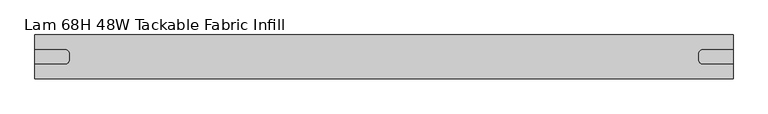
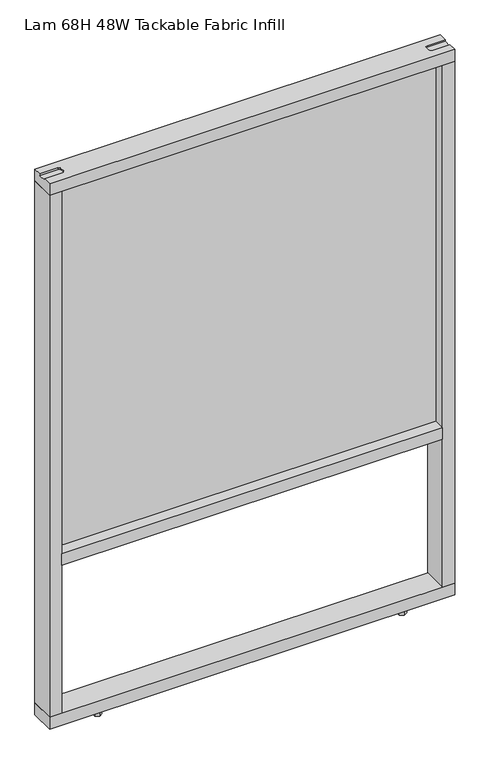
"""IFC4 building model written with IfcOpenShell, lengths in millimetres: furniture geometry, Lam 68H 48W Tackable Fabric Infill."""

from ifc_helpers import new_model, si_unit, frame, origin, origin_with_axes, place, context, project, spatial, polyline, circle_curve, outline, extrude, faceted_brep, source, transform, mapped, element, save
from ifc_brep_helpers import plane_surface, revolved_surface, advanced_brep


def lam_68h_48w_tackable_fabric_infill_ef78ba6c(model_context):
    return source(origin(), model_context, "Body", "SolidModel", [
        extrude(outline(polyline([(1185.164, 38.1), (1185.164, 34.4678), (43.307, 34.4678), (43.307, 38.1), (1185.164, 38.1)])), frame((0.0, 0.0, 556.0822), z_axis=(0.0, 0.0, 1.0), x_axis=(1.0, 0.0, 0.0)), (0.0, 0.0, 1.0), 1149.8326),
        advanced_brep(
        [(1222.248, 0.0, 1742.9988), (6.223, 0.0, 1742.9988), (6.223, 0.0, 1705.9148), (1222.248, 0.0, 1705.9148), (1222.248, 76.2, 1742.9988), (1222.248, 76.2, 1705.9148), (6.223, 76.2, 1705.9148), (6.223, 76.2, 1742.9988), (1222.248, 25.3492, 1742.9988), (1168.273, 25.3492, 1742.9988), (1161.923, 31.6992, 1742.9988), (1161.923, 44.5008, 1742.9988), (1168.273, 50.8508, 1742.9988), (1222.248, 50.8508, 1742.9988), (6.223, 50.8508, 1742.9988), (60.198, 50.8508, 1742.9988), (66.548, 44.5008, 1742.9988), (66.548, 31.6992, 1742.9988), (60.198, 25.3492, 1742.9988), (6.223, 25.3492, 1742.9988), (6.223, 25.3492, 1737.9188), (6.223, 50.8508, 1737.9188), (1222.248, 50.8508, 1737.9188), (1222.248, 25.3492, 1737.9188), (60.198, 50.8508, 1737.9188), (60.198, 25.3492, 1737.9188), (66.548, 31.6992, 1737.9188), (66.548, 44.5008, 1737.9188), (1168.273, 50.8508, 1737.9188), (1161.923, 44.5008, 1737.9188), (1161.923, 31.6992, 1737.9188), (1168.273, 25.3492, 1737.9188)],
        [
            (0, 1),
            (1, 2),
            (2, 3),
            (3, 0),
            (4, 5),
            (5, 6),
            (6, 7),
            (7, 4),
            (0, 8),
            (8, 9),
            (9, 10, circle_curve(frame((1168.273, 31.6992, 1742.9988), z_axis=(0.0, 0.0, -1.0), x_axis=(1.0, 0.0, 0.0)), 6.35)),
            (10, 11),
            (11, 12, circle_curve(frame((1168.273, 44.5008, 1742.9988), z_axis=(0.0, 0.0, -1.0), x_axis=(1.0, 0.0, 0.0)), 6.35)),
            (12, 13),
            (13, 4),
            (7, 14),
            (14, 15),
            (15, 16, circle_curve(frame((60.198, 44.5008, 1742.9988), z_axis=(0.0, 0.0, -1.0), x_axis=(1.0, 0.0, 0.0)), 6.35)),
            (16, 17),
            (17, 18, circle_curve(frame((60.198, 31.6992, 1742.9988), z_axis=(0.0, 0.0, -1.0), x_axis=(1.0, 0.0, 0.0)), 6.35)),
            (18, 19),
            (19, 1),
            (19, 20),
            (20, 21),
            (21, 14),
            (6, 2),
            (5, 3),
            (13, 22),
            (22, 23),
            (23, 8),
            (24, 21),
            (20, 25),
            (25, 26, circle_curve(frame((60.198, 31.6992, 1737.9188), z_axis=(0.0, 0.0, 1.0), x_axis=(1.0, 0.0, 0.0)), 6.35)),
            (26, 27),
            (27, 24, circle_curve(frame((60.198, 44.5008, 1737.9188), z_axis=(0.0, 0.0, 1.0), x_axis=(1.0, 0.0, 0.0)), 6.35)),
            (28, 29, circle_curve(frame((1168.273, 44.5008, 1737.9188), z_axis=(0.0, 0.0, 1.0), x_axis=(1.0, 0.0, 0.0)), 6.35)),
            (29, 30),
            (30, 31, circle_curve(frame((1168.273, 31.6992, 1737.9188), z_axis=(0.0, 0.0, 1.0), x_axis=(1.0, 0.0, 0.0)), 6.35)),
            (31, 23),
            (22, 28),
            (24, 15),
            (18, 25),
            (17, 26),
            (16, 27),
            (28, 12),
            (11, 29),
            (10, 30),
            (9, 31),
        ],
        [
            plane_surface(frame((6.223, 0.0, 1742.9988), z_axis=(0.0, -1.0, 0.0), x_axis=(-1.0, 0.0, 0.0))),
            plane_surface(frame((6.223, 76.2, 1742.9988), z_axis=(0.0, 1.0, 0.0), x_axis=(1.0, 0.0, 0.0))),
            plane_surface(frame((1222.248, 0.0, 1742.9988), z_axis=(0.0, 0.0, 1.0), x_axis=(0.0, 1.0, 0.0))),
            plane_surface(frame((6.223, 0.0, 1742.9988), z_axis=(-1.0, 0.0, 0.0), x_axis=(0.0, 1.0, 0.0))),
            plane_surface(frame((6.223, 0.0, 1705.9148), z_axis=(0.0, 0.0, -1.0), x_axis=(0.0, 1.0, 0.0))),
            plane_surface(frame((1222.248, 0.0, 1705.9148), z_axis=(1.0, 0.0, 0.0), x_axis=(0.0, 1.0, 0.0))),
            plane_surface(frame((6.223, 50.8508, 1737.9188), z_axis=(0.0, 0.0, 1.0), x_axis=(1.0, 0.0, 0.0))),
            plane_surface(frame((60.198, 50.8508, 1806.6561967), z_axis=(0.0, -1.0, 0.0), x_axis=(0.0, 0.0, -1.0))),
            plane_surface(frame((6.223, 25.3492, 1806.6561967), z_axis=(0.0, 1.0, 0.0), x_axis=(0.0, 0.0, -1.0))),
            revolved_surface(polyline([(66.548, 31.6992, 1742.9988), (66.548, 31.6992, 1737.9188)]), (60.198, 31.6992, 1737.9188), (0.0, 0.0, 1.0)),
            plane_surface(frame((66.548, 31.6992, 1806.6561967), z_axis=(-1.0, 1.5140005651264145e-12, 0.0), x_axis=(0.0, 0.0, -1.0))),
            revolved_surface(polyline([(66.548, 44.5008, 1742.9988), (66.548, 44.5008, 1737.9188)]), (60.198, 44.5008, 1737.9188), (0.0, 0.0, 1.0)),
            revolved_surface(polyline([(1174.6229999999998, 44.5008, 1742.9988), (1174.6229999999998, 44.5008, 1737.9188)]), (1168.273, 44.5008, 0.0), (0.0, 0.0, 1.0)),
            plane_surface(frame((1161.923, 44.5008, 1806.6561967), z_axis=(1.0, 4.229421046181905e-12, 0.0), x_axis=(0.0, 0.0, -1.0))),
            revolved_surface(polyline([(1174.6229999999998, 31.6992, 1742.9988), (1174.6229999999998, 31.6992, 1737.9188)]), (1168.273, 31.6992, 0.0), (0.0, 0.0, 1.0)),
            plane_surface(frame((1168.273, 25.3492, 1806.6561967), z_axis=(0.0, 1.0, 0.0), x_axis=(0.0, 0.0, -1.0))),
            plane_surface(frame((1222.248, 50.8508, 1806.6561967), z_axis=(0.0, -1.0, 0.0), x_axis=(0.0, 0.0, -1.0))),
        ],
        [
            (0, [[1, 2, 3, 4]]),
            (1, [[5, 6, 7, 8]]),
            (2, [[-1, 9, 10, 11, 12, 13, 14, 15, -8, 16, 17, 18, 19, 20, 21, 22]]),
            (3, [[-2, -22, 23, 24, 25, -16, -7, 26]]),
            (4, [[-3, -26, -6, 27]]),
            (5, [[-4, -27, -5, -15, 28, 29, 30, -9]]),
            (6, [[31, -24, 32, 33, 34, 35]]),
            (6, [[36, 37, 38, 39, -29, 40]]),
            (7, [[-31, 41, -17, -25]]),
            (8, [[-32, -23, -21, 42]]),
            (9, [[-33, -42, -20, 43]]),
            (10, [[-34, -43, -19, 44]]),
            (11, [[-35, -44, -18, -41]]),
            (12, [[-36, 45, -13, 46]]),
            (13, [[-37, -46, -12, 47]]),
            (14, [[-38, -47, -11, 48]]),
            (15, [[-39, -48, -10, -30]]),
            (16, [[-40, -28, -14, -45]]),
        ],
    ),
        faceted_brep([(1222.248, 0.0, 49.784), (6.223, 0.0, 49.784), (6.223, 0.0, 12.7), (1222.248, 0.0, 12.7), (1222.248, 76.2, 49.784), (1222.248, 76.2, 12.7), (6.223, 76.2, 12.7), (6.223, 76.2, 49.784)], [[[0, 1, 2, 3]], [[4, 5, 6, 7]], [[1, 0, 4, 7]], [[3, 2, 6, 5]], [[0, 3, 5, 4]], [[2, 1, 7, 6]]]),
        extrude(outline(polyline([(1071.4355, 74.4965257), (1082.3575, 68.190706), (1082.3575, 55.5790667), (1071.4355, 49.2732471), (1060.5135, 55.5790667), (1060.5135, 68.190706), (1071.4355, 74.4965257)])), origin_with_axes(), (0.0, 0.0, 1.0), 12.7),
        extrude(outline(polyline([(1071.4355, 26.8756169), (1082.3575, 20.5697972), (1082.3575, 7.9581579), (1071.4355, 1.6523383), (1060.5135, 7.9581579), (1060.5135, 20.5697972), (1071.4355, 26.8756169)])), origin_with_axes(), (0.0, 0.0, 1.0), 12.7),
        extrude(outline(polyline([(157.0355, 74.4965257), (167.9575, 68.190706), (167.9575, 55.5790667), (157.0355, 49.2732471), (146.1135, 55.5790667), (146.1135, 68.190706), (157.0355, 74.4965257)])), origin_with_axes(), (0.0, 0.0, 1.0), 12.7),
        extrude(outline(polyline([(157.0355, 26.8756169), (167.9575, 20.5697972), (167.9575, 7.9581579), (157.0355, 1.6523383), (146.1135, 7.9581579), (146.1135, 20.5697972), (157.0355, 26.8756169)])), origin_with_axes(), (0.0, 0.0, 1.0), 12.7),
        extrude(outline(polyline([(1185.164, 0.0), (43.307, 0.0), (43.307, 76.2), (1185.164, 76.2), (1185.164, 0.0)])), frame((0.0, 0.0, 518.9982), z_axis=(0.0, 0.0, 1.0), x_axis=(1.0, 0.0, 0.0)), (0.0, 0.0, 1.0), 37.084),
        extrude(outline(polyline([(43.307, 0.0), (6.223, 0.0), (6.223, 76.2), (43.307, 76.2), (43.307, 0.0)])), frame((0.0, 0.0, 49.784), z_axis=(0.0, 0.0, 1.0), x_axis=(1.0, 0.0, 0.0)), (0.0, 0.0, 1.0), 1656.1308),
        extrude(outline(polyline([(1222.248, 0.0), (1185.164, 0.0), (1185.164, 76.2), (1222.248, 76.2), (1222.248, 0.0)])), frame((0.0, 0.0, 49.784), z_axis=(0.0, 0.0, 1.0), x_axis=(1.0, 0.0, 0.0)), (0.0, 0.0, 1.0), 1656.1308),
    ])


if __name__ == "__main__":
    model = new_model("IFC4")
    model_context = context("Model", 3, world=origin())
    ifc_project = project(units=[si_unit("LENGTHUNIT", "METRE", prefix="MILLI")], contexts=[model_context])
    site = spatial("IfcSite", under=ifc_project)
    building = spatial("IfcBuilding", under=site)
    placement = place(None, origin())
    lam_68h_48w_tackable_fabric_infill_shape = lam_68h_48w_tackable_fabric_infill_ef78ba6c(model_context)
    element("IfcFurniture", 1, ObjectType="Lam 68H 48W Tackable Fabric Infill", at=placement, inside=building, context=model_context, shape_type="MappedRepresentation", body=[
        mapped(lam_68h_48w_tackable_fabric_infill_shape, transform((0.0, 0.0, 0.0), x_axis=(1.0, 0.0, 0.0), y_axis=(0.0, 1.0, 0.0), z_axis=(0.0, 0.0, 1.0))),
    ])
    save(model, "model.ifc")
